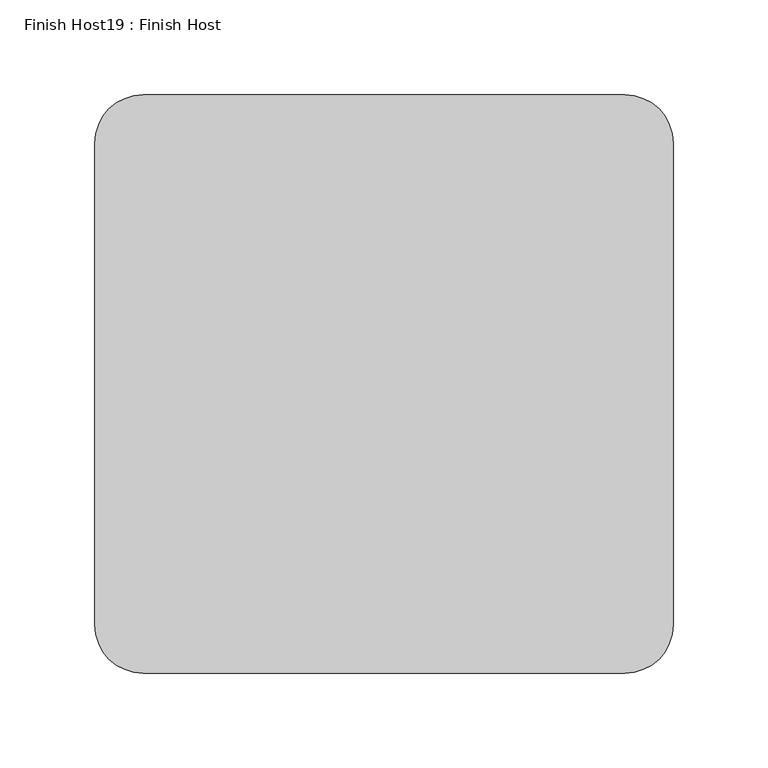
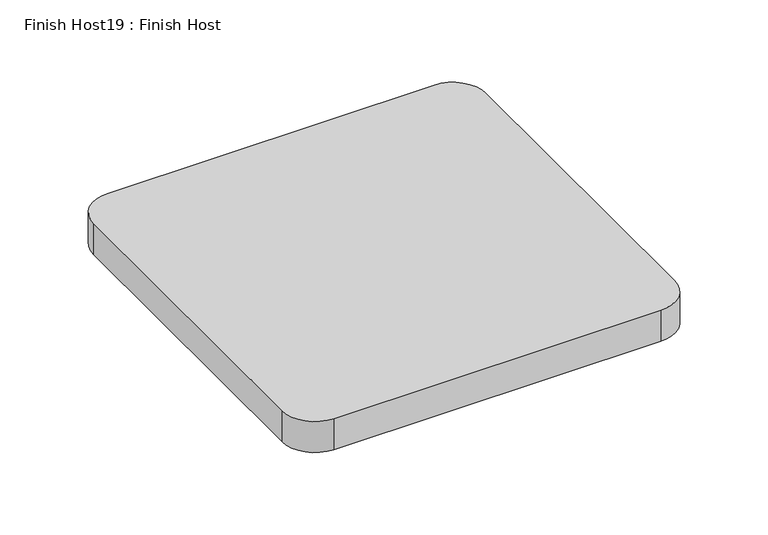
"""IFC4 building model written with IfcOpenShell, lengths in millimetres: proxy geometry, Finish Host19 : Finish Host."""

from ifc_helpers import new_model, si_unit, point, frame_2d, origin, origin_with_axes, place, context, project, spatial, polyline, circle_curve, trimmed, segment, composite_curve, outline, extrude, source, transform, mapped, element, save


def finish_host19_finish_host_4c318566(model_context):
    return source(origin(), model_context, "Body", "SweptSolid", [
        extrude(outline(composite_curve([segment(polyline([(1191.0934426, 2527.6122951), (1191.0934426, 2781.6122951)]), True, "CONTINUOUS"), segment(trimmed(circle_curve(frame_2d((1216.4934426, 2781.6122951)), 25.4), [point((1191.0934426, 2781.6122951))], [point((1216.4934426, 2807.0122951))], False, "CARTESIAN"), True, "CONTINUOUS"), segment(polyline([(1216.4934426, 2807.0122951), (1470.4934426, 2807.0122951)]), True, "CONTINUOUS"), segment(trimmed(circle_curve(frame_2d((1470.4934426, 2781.6122951)), 25.4), [point((1470.4934426, 2807.0122951))], [point((1495.8934426, 2781.6122951))], False, "CARTESIAN"), True, "CONTINUOUS"), segment(polyline([(1495.8934426, 2781.6122951), (1495.8934426, 2527.6122951)]), True, "CONTINUOUS"), segment(trimmed(circle_curve(frame_2d((1470.4934426, 2527.6122951)), 25.4), [point((1495.8934426, 2527.6122951))], [point((1470.4934426, 2502.2122951))], False, "CARTESIAN"), True, "CONTINUOUS"), segment(polyline([(1470.4934426, 2502.2122951), (1216.4934426, 2502.2122951)]), True, "CONTINUOUS"), segment(trimmed(circle_curve(frame_2d((1216.4934426, 2527.6122951)), 25.4), [point((1216.4934426, 2502.2122951))], [point((1191.0934426, 2527.6122951))], False, "CARTESIAN"), True, "CONTINUOUS")], self_intersect=False)), origin_with_axes(), (0.0, 0.0, 1.0), 25.4),
    ])


if __name__ == "__main__":
    model = new_model("IFC4")
    model_context = context("Model", 3, world=origin())
    ifc_project = project(units=[si_unit("LENGTHUNIT", "METRE", prefix="MILLI")], contexts=[model_context])
    site = spatial("IfcSite", under=ifc_project)
    building = spatial("IfcBuilding", under=site)
    placement = place(None, origin())
    finish_host19_finish_host_shape = finish_host19_finish_host_4c318566(model_context)
    element("IfcBuildingElementProxy", 1, Name="Finish Host19 : Finish Host", ObjectType="Finish Host19 : Finish Host", at=placement, inside=building, context=model_context, shape_type="MappedRepresentation", body=[
        mapped(finish_host19_finish_host_shape, transform((0.0, 0.0, 0.0), x_axis=(1.0, 0.0, 0.0), y_axis=(0.0, 1.0, 0.0), z_axis=(0.0, 0.0, 1.0))),
    ])
    save(model, "model.ifc")
